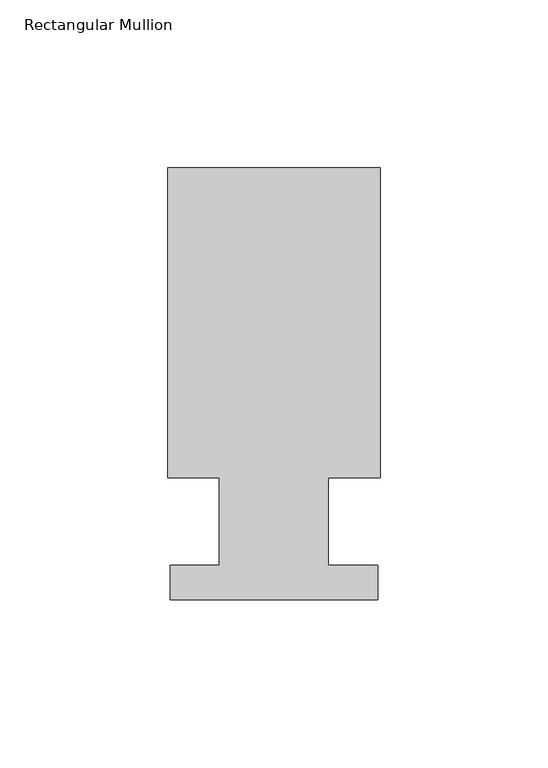
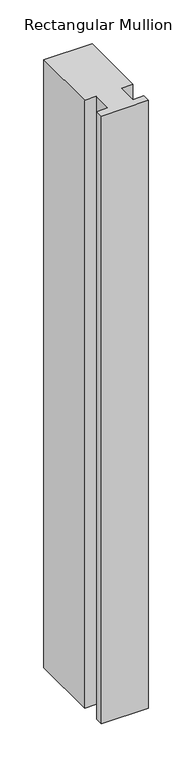
"""IFC4 building model written with IfcOpenShell, lengths in millimetres: member geometry, Rectangular Mullion."""

from ifc_helpers import new_model, si_unit, frame, origin, place, context, project, spatial, polyline, outline, extrude, source, transform, mapped, element, save


def rectangular_mullion_15c268e1(model_context):
    return source(origin(), model_context, "Body", "SweptSolid", [
        extrude(outline(polyline([(31.75, 126.9888875), (31.75, 34.3296875), (16.2687, 34.3296875), (16.2687, 8.3454875), (30.988, 8.3454875), (30.988, -2.0939125), (-30.988, -2.0939125), (-30.988, 8.3454875), (-16.2687, 8.3454875), (-16.2687, 34.3296875), (-31.75, 34.3296875), (-31.75, 126.9888875), (31.75, 126.9888875)])), frame((0.0, 0.0, -844.55), z_axis=(0.0, 0.0, 1.0), x_axis=(1.0, 0.0, 0.0)), (0.0, 0.0, 1.0), 844.55),
    ])


if __name__ == "__main__":
    model = new_model("IFC4")
    model_context = context("Model", 3, world=origin())
    ifc_project = project(units=[si_unit("LENGTHUNIT", "METRE", prefix="MILLI")], contexts=[model_context])
    site = spatial("IfcSite", under=ifc_project)
    building = spatial("IfcBuilding", under=site)
    placement = place(None, origin())
    rectangular_mullion_shape = rectangular_mullion_15c268e1(model_context)
    element("IfcMember", 1, ObjectType="Rectangular Mullion", at=placement, inside=building, context=model_context, shape_type="MappedRepresentation", body=[
        mapped(rectangular_mullion_shape, transform((0.0, 0.0, 0.0), x_axis=(1.0, 0.0, 0.0), y_axis=(0.0, 1.0, 0.0), z_axis=(0.0, 0.0, 1.0))),
    ])
    save(model, "model.ifc")
